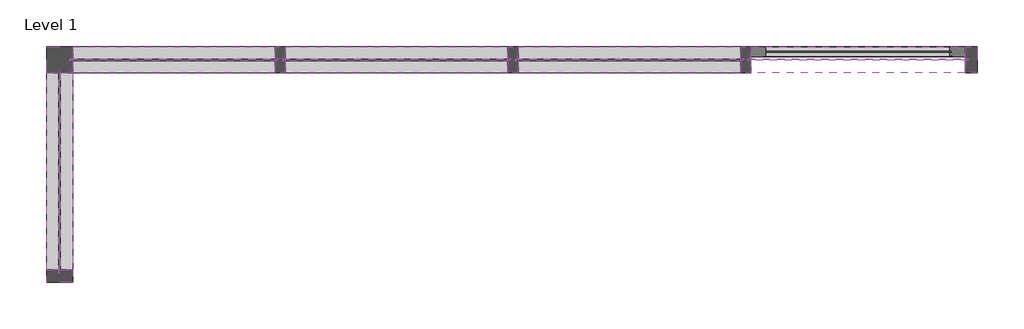
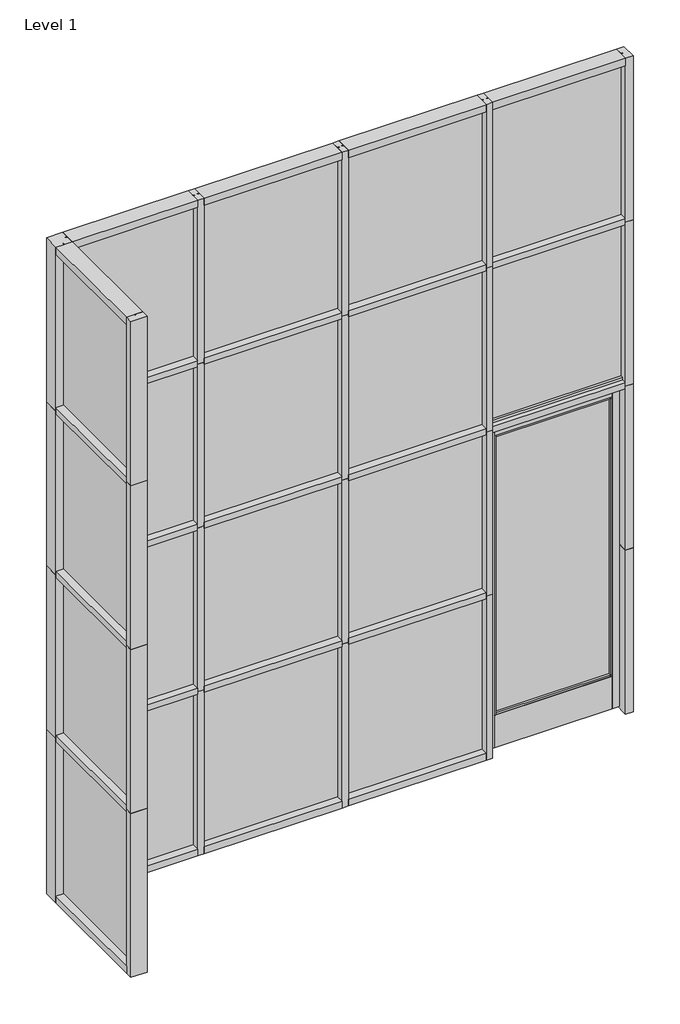
# One storey: 47 members, 19 plates.
"""IFC4 building model written with IfcOpenShell, lengths in millimetres."""

import ifcopenshell
import ifcopenshell.guid

model = None  # the IFC model being written
_history = None  # IfcOwnerHistory: only IFC2X3 demands one
_inside = {}  # id of a spatial element -> (the spatial element, [elements in it])
_under = {}  # id of a project, library or spatial element -> (it, [spatial elements below it])
_declared = {}  # id of a project -> (the project, [libraries it declares])
_typed = {}  # id of a type object -> (the type object, [elements of that type])
_made_of = {}  # id of a material, layer set ... -> (it, [elements and type objects made of it])


def new_model(schema):
    """Start an empty IFC model of exactly this schema.

    Asked for "IFC4X3", IfcOpenShell would pick the latest addendum, in which some entities
    have other attributes; the version numbers below select the first issue.
    IFC2X3 requires an IfcOwnerHistory on every rooted entity: one is made here for all.
    """
    global model, _history
    if schema == "IFC4X3":
        model = ifcopenshell.file(schema_version=(4, 3, 0, 0))
    else:
        model = ifcopenshell.file(schema=schema)
    _inside.clear()
    _under.clear()
    _declared.clear()
    _typed.clear()
    _made_of.clear()
    _history = None
    if model.schema == "IFC2X3":
        org = make("IfcOrganization", Name="unknown")
        user = make(
            "IfcPersonAndOrganization",
            ThePerson=make("IfcPerson", FamilyName="unknown"),
            TheOrganization=org,
        )
        app = make(
            "IfcApplication",
            ApplicationDeveloper=org,
            Version="unknown",
            ApplicationFullName="unknown",
            ApplicationIdentifier="unknown",
        )
        _history = make(
            "IfcOwnerHistory",
            OwningUser=user,
            OwningApplication=app,
            ChangeAction="ADDED",
            CreationDate=0,
        )
    return model


def make(cls, **values):
    """One entity of the class cls with the attributes given. An attribute that is None is left unset."""
    return model.create_entity(
        cls, **{name: value for name, value in values.items() if value is not None}
    )


def rooted(cls, **values):
    """An entity with a GlobalId (a new one), such as an element, a storey or a relation."""
    return make(cls, GlobalId=ifcopenshell.guid.new(), OwnerHistory=_history, **values)


def si_unit(unit_type, name, prefix=None):
    """IfcSIUnit, for example si_unit("LENGTHUNIT", "METRE", prefix="MILLI")."""
    return make("IfcSIUnit", UnitType=unit_type, Prefix=prefix, Name=name)


def assignment(units):
    """IfcUnitAssignment: the units of a project."""
    return None if units is None else make("IfcUnitAssignment", Units=units)


def point(xyz):
    """IfcCartesianPoint."""
    return None if xyz is None else make("IfcCartesianPoint", Coordinates=xyz)


def direction(xyz):
    """IfcDirection."""
    return None if xyz is None else make("IfcDirection", DirectionRatios=xyz)


def frame(location, z_axis=None, x_axis=None):
    """IfcAxis2Placement3D, a coordinate frame: its origin and axes. An axis left out is left unset."""
    return make(
        "IfcAxis2Placement3D",
        Location=point(location),
        Axis=direction(z_axis),
        RefDirection=direction(x_axis),
    )


def origin():
    """The frame at (0, 0, 0) with its axes left unset."""
    return frame((0.0, 0.0, 0.0))


def origin_with_axes():
    """The frame at (0, 0, 0) with the z axis (0, 0, 1) and the x axis (1, 0, 0) written out."""
    return frame((0.0, 0.0, 0.0), z_axis=(0.0, 0.0, 1.0), x_axis=(1.0, 0.0, 0.0))


def place(relative_to, where):
    """IfcLocalPlacement: puts the frame where relative to a parent placement (None: the world)."""
    return make(
        "IfcLocalPlacement", PlacementRelTo=relative_to, RelativePlacement=where
    )


def context(
    kind, dimensions, precision=None, world=None, true_north=None, identifier=None
):
    """IfcGeometricRepresentationContext, for example the 3D "Model" context."""
    return make(
        "IfcGeometricRepresentationContext",
        ContextIdentifier=identifier,
        ContextType=kind,
        CoordinateSpaceDimension=dimensions,
        Precision=precision,
        WorldCoordinateSystem=world,
        TrueNorth=true_north,
    )


def project(units=None, contexts=None):
    """IfcProject with its units and contexts."""
    return rooted(
        "IfcProject",
        Name="project",
        RepresentationContexts=contexts,
        UnitsInContext=assignment(units),
    )


def spatial(cls, under=None, at=None, **own):
    """A site, building, storey or space (cls), placed at a placement, below another one or the project."""
    s = rooted(cls, ObjectPlacement=at, **own)
    if under is not None:
        _under.setdefault(under.id(), (under, []))[1].append(s)
    return s


def polyline(points):
    """IfcPolyline through the points."""
    return make("IfcPolyline", Points=[point(p) for p in points])


def outline(outer, holes=None, kind="AREA"):
    """IfcArbitraryClosedProfileDef: a profile drawn as a closed curve; with holes, ...WithVoids."""
    if holes is None:
        return make("IfcArbitraryClosedProfileDef", ProfileType=kind, OuterCurve=outer)
    return make(
        "IfcArbitraryProfileDefWithVoids",
        ProfileType=kind,
        OuterCurve=outer,
        InnerCurves=holes,
    )


def extrude(swept, where, along, depth):
    """IfcExtrudedAreaSolid: the profile swept, set in the frame where, extruded along a direction by depth."""
    return make(
        "IfcExtrudedAreaSolid",
        SweptArea=swept,
        Position=where,
        ExtrudedDirection=direction(along),
        Depth=depth,
    )


def shape(context_of_items, identifier, shape_type, items):
    """IfcShapeRepresentation: the items that make up one representation, for example the "Body"."""
    return make(
        "IfcShapeRepresentation",
        ContextOfItems=context_of_items,
        RepresentationIdentifier=identifier,
        RepresentationType=shape_type,
        Items=items,
    )


def source(mapping_origin, context_of_items, identifier, shape_type, items):
    """IfcRepresentationMap: a shape defined once, which mapped items show again and again."""
    return make(
        "IfcRepresentationMap",
        MappingOrigin=mapping_origin,
        MappedRepresentation=shape(context_of_items, identifier, shape_type, items),
    )


def transform(
    local_origin,
    x_axis=None,
    y_axis=None,
    z_axis=None,
    scale=None,
    scale2=None,
    scale3=None,
    uniform=True,
):
    """IfcCartesianTransformationOperator3D, or its non-uniform kind. x_axis, y_axis, z_axis: its Axis1, 2, 3."""
    if uniform:
        return make(
            "IfcCartesianTransformationOperator3D",
            Axis1=direction(x_axis),
            Axis2=direction(y_axis),
            LocalOrigin=point(local_origin),
            Scale=scale,
            Axis3=direction(z_axis),
        )
    return make(
        "IfcCartesianTransformationOperator3DnonUniform",
        Axis1=direction(x_axis),
        Axis2=direction(y_axis),
        LocalOrigin=point(local_origin),
        Scale=scale,
        Axis3=direction(z_axis),
        Scale2=scale2,
        Scale3=scale3,
    )


def mapped(mapping_source, mapping_target):
    """IfcMappedItem: shows the shape of a source again, moved by a transform."""
    return make(
        "IfcMappedItem", MappingSource=mapping_source, MappingTarget=mapping_target
    )


def made_of(thing, what):
    """Note that an element or type object is made of a material, layer set ...; save() writes the relation."""
    if what is not None:
        _made_of.setdefault(what.id(), (what, []))[1].append(thing)
    return thing


def element(
    cls,
    number,
    at=None,
    inside=None,
    cuts=None,
    type_object=None,
    material=None,
    context=None,
    identifier="Body",
    shape_type=None,
    held_by="IfcProductDefinitionShape",
    body=None,
    shapes=None,
    **own,
):
    """One element of the class cls, such as IfcWall. Its Tag is "e" and its number.

    at: its placement. inside: the storey or other place that contains it. cuts: it is an
    opening in that element (IfcRelVoidsElement). A single representation is given by context,
    identifier, shape_type and body (its items); several are given by shapes. held_by: the class
    of the entity that holds the representations. save() writes the other relations.
    """
    e = rooted(cls, Tag="e%d" % number, ObjectPlacement=at, **own)
    if body is not None:
        shapes = [shape(context, identifier, shape_type, body)]
    if shapes is not None:
        e.Representation = make(held_by, Representations=shapes)
    if inside is not None:
        _inside.setdefault(inside.id(), (inside, []))[1].append(e)
    if cuts is not None:
        rooted(
            "IfcRelVoidsElement", RelatingBuildingElement=cuts, RelatedOpeningElement=e
        )
    if type_object is not None:
        _typed.setdefault(type_object.id(), (type_object, []))[1].append(e)
    return made_of(e, material)


def aggregate(whole, parts):
    """IfcRelAggregates: a whole, such as a stair, and the parts it consists of."""
    return rooted("IfcRelAggregates", RelatingObject=whole, RelatedObjects=parts)


def save(model, path):
    """Write the relations noted so far, then the file.

    IfcRelAggregates (storeys below a building ...), IfcRelContainedInSpatialStructure (elements
    in a storey), IfcRelDefinesByType, IfcRelAssociatesMaterial and IfcRelDeclares: one each for
    every whole, place, type object, material and project.
    """
    for whole, parts in _under.values():
        aggregate(whole, parts)
    for where, things in _inside.values():
        rooted(
            "IfcRelContainedInSpatialStructure",
            RelatedElements=things,
            RelatingStructure=where,
        )
    for kind, things in _typed.values():
        rooted("IfcRelDefinesByType", RelatedObjects=things, RelatingType=kind)
    for what, things in _made_of.values():
        rooted("IfcRelAssociatesMaterial", RelatedObjects=things, RelatingMaterial=what)
    for by, libraries in _declared.values():
        rooted("IfcRelDeclares", RelatingContext=by, RelatedDefinitions=libraries)
    model.write(path)


def rectangular_mullion_1f55eb4f(model_context):
    return source(origin(), model_context, "Body", "SweptSolid", [
        extrude(outline(polyline([(-53.975, 57.15), (0.0, 57.15), (0.0, -57.15), (-53.975, -57.15), (-53.975, -3.175), (-41.2732296, -3.175), (-41.2732296, 3.175), (-53.975, 3.175), (-53.975, 57.15)])), frame((0.0, 0.0, -1219.2), z_axis=(0.0, 0.0, 1.0), x_axis=(1.0, 0.0, 0.0)), (0.0, 0.0, 1.0), 1219.2),
    ])


def rectangular_mullion_c31169d5(model_context):
    return source(origin(), model_context, "Body", "SweptSolid", [
        extrude(outline(polyline([(-53.975, 57.15), (0.0, 57.15), (0.0, -57.15), (-53.975, -57.15), (-53.975, -3.175), (-41.2732296, -3.175), (-41.2732296, 3.175), (-53.975, 3.175), (-53.975, 57.15)])), frame((0.0, 0.0, -935.4655973), z_axis=(0.0, 0.0, 1.0), x_axis=(1.0, 0.0, 0.0)), (0.0, 0.0, 1.0), 935.4655973),
    ])


def rectangular_mullion_0bb872fa(model_context):
    return source(origin(), model_context, "Body", "SweptSolid", [
        extrude(outline(polyline([(-53.975, 57.15), (0.0, 57.15), (0.0, -57.15), (-53.975, -57.15), (-53.975, -3.175), (-41.2732296, -3.175), (-41.2732296, 3.175), (-53.975, 3.175), (-53.975, 57.15)])), frame((0.0, 0.0, -883.8094027), z_axis=(0.0, 0.0, 1.0), x_axis=(1.0, 0.0, 0.0)), (0.0, 0.0, 1.0), 883.8094027),
    ])


def rectangular_mullion_a71abbf1(model_context):
    return source(origin(), model_context, "Body", "SweptSolid", [
        extrude(outline(polyline([(-50.8, 57.15), (0.0, 57.15), (0.0, -57.15), (-50.8, -57.15), (-50.8, -3.175), (-31.75, -3.175), (-31.75, 3.175), (-50.8, 3.175), (-50.8, 57.15)])), frame((0.0, 0.0, -883.8094027), z_axis=(0.0, 0.0, 1.0), x_axis=(1.0, 0.0, 0.0)), (0.0, 0.0, 1.0), 883.8094027),
    ])


def rectangular_mullion_352ee446(model_context):
    return source(origin(), model_context, "Body", "SweptSolid", [
        extrude(outline(polyline([(-50.8, 57.15), (0.0, 57.15), (0.0, -57.15), (-50.8, -57.15), (-50.8, -3.175), (-31.75, -3.175), (-31.75, 3.175), (-50.8, 3.175), (-50.8, 57.15)])), frame((0.0, 0.0, -971.55), z_axis=(0.0, 0.0, 1.0), x_axis=(1.0, 0.0, 0.0)), (0.0, 0.0, 1.0), 971.55),
    ])


def rectangular_mullion_92f0b9d0(model_context):
    return source(origin(), model_context, "Body", "SweptSolid", [
        extrude(outline(polyline([(26.5594027, 57.15), (26.5594027, 3.175), (13.8576322, 3.175), (13.8576322, -3.175), (26.5594027, -3.175), (26.5594027, -57.15), (-17.8905973, -57.15), (-17.8905973, -3.175), (-5.1905973, -3.175), (-5.1905973, 3.175), (-17.8905973, 3.175), (-17.8905973, 57.15), (26.5594027, 57.15)])), frame((0.0, 0.0, -883.8094027), z_axis=(0.0, 0.0, 1.0), x_axis=(1.0, 0.0, 0.0)), (0.0, 0.0, 1.0), 883.8094027),
    ])


def rectangular_mullion_21c93c68(model_context):
    return source(origin(), model_context, "Body", "SweptSolid", [
        extrude(outline(polyline([(26.5594027, 57.15), (26.5594027, 3.175), (13.8576322, 3.175), (13.8576322, -3.175), (26.5594027, -3.175), (26.5594027, -57.15), (-17.8905973, -57.15), (-17.8905973, -3.175), (-5.1905973, -3.175), (-5.1905973, 3.175), (-17.8905973, 3.175), (-17.8905973, 57.15), (26.5594027, 57.15)])), frame((0.0, 0.0, -971.55), z_axis=(0.0, 0.0, 1.0), x_axis=(1.0, 0.0, 0.0)), (0.0, 0.0, 1.0), 971.55),
    ])


def rectangular_mullion_034faee6(model_context):
    return source(origin(), model_context, "Body", "SweptSolid", [
        extrude(outline(polyline([(26.5594027, 57.15), (26.5594027, 3.175), (13.8576322, 3.175), (13.8576322, -3.175), (26.5594027, -3.175), (26.5594027, -57.15), (-17.8905973, -57.15), (-17.8905973, -3.175), (-5.1905973, -3.175), (-5.1905973, 3.175), (-17.8905973, 3.175), (-17.8905973, 57.15), (26.5594027, 57.15)])), frame((0.0, 0.0, -1219.2), z_axis=(0.0, 0.0, 1.0), x_axis=(1.0, 0.0, 0.0)), (0.0, 0.0, 1.0), 1219.2),
    ])


def rectangular_mullion_3a9e87ab(model_context):
    return source(origin(), model_context, "Body", "SweptSolid", [
        extrude(outline(polyline([(-53.975, 57.15), (0.0, 57.15), (0.0, -57.15), (-53.975, -57.15), (-53.975, -3.175), (-41.2732296, -3.175), (-41.2732296, 3.175), (-53.975, 3.175), (-53.975, 57.15)])), frame((0.0, 0.0, -971.55), z_axis=(0.0, 0.0, 1.0), x_axis=(1.0, 0.0, 0.0)), (0.0, 0.0, 1.0), 971.55),
    ])


def rectangular_mullion_6b20fba9(model_context):
    return source(origin(), model_context, "Body", "SweptSolid", [
        extrude(outline(polyline([(26.5594027, 57.15), (26.5594027, 22.1896686), (45.6091487, 22.1896686), (45.6091487, 3.175), (32.9091487, 3.175), (32.9091487, -3.175), (45.6091487, -3.175), (45.6091487, -22.2603314), (26.5594027, -22.2603314), (26.5594027, -57.15), (-17.8905973, -57.15), (-17.8905973, 57.15), (26.5594027, 57.15)])), frame((0.0, 0.0, -935.4655973), z_axis=(0.0, 0.0, 1.0), x_axis=(1.0, 0.0, 0.0)), (0.0, 0.0, 1.0), 935.4655973),
    ])


def rectangular_mullion_b8a8cedb(model_context):
    return source(origin(), model_context, "Body", "SweptSolid", [
        extrude(outline(polyline([(26.5594027, 57.15), (26.5594027, 3.175), (13.8576322, 3.175), (13.8576322, -3.175), (26.5594027, -3.175), (26.5594027, -57.15), (-17.8905973, -57.15), (-17.8905973, -3.175), (-5.1905973, -3.175), (-5.1905973, 3.175), (-17.8905973, 3.175), (-17.8905973, 57.15), (26.5594027, 57.15)])), frame((0.0, 0.0, -935.4655973), z_axis=(0.0, 0.0, 1.0), x_axis=(1.0, 0.0, 0.0)), (0.0, 0.0, 1.0), 935.4655973),
    ])


def rectangular_mullion_543faa97(model_context):
    return source(origin(), model_context, "Body", "SweptSolid", [
        extrude(outline(polyline([(26.5594027, 57.15), (26.5594027, -57.15), (-17.8905973, -57.15), (-17.8905973, -3.175), (-5.1905973, -3.175), (-5.1905973, 3.175), (-17.8905973, 3.175), (-17.8905973, 57.15), (26.5594027, 57.15)])), frame((0.0, 0.0, -1219.2), z_axis=(0.0, 0.0, 1.0), x_axis=(1.0, 0.0, 0.0)), (0.0, 0.0, 1.0), 1219.2),
    ])


def rectangular_mullion_960d9529(model_context):
    return source(origin(), model_context, "Body", "SweptSolid", [
        extrude(outline(polyline([(-53.975, 57.15), (0.0, 57.15), (0.0, -57.15), (-53.975, -57.15), (-53.975, 57.15)])), frame((0.0, 0.0, -1219.2), z_axis=(0.0, 0.0, 1.0), x_axis=(1.0, 0.0, 0.0)), (0.0, 0.0, 1.0), 1219.2),
    ])


def rectangular_mullion_c9dc522c(model_context):
    return source(origin(), model_context, "Body", "SweptSolid", [
        extrude(outline(polyline([(-53.975, 57.15), (0.0, 57.15), (0.0, -57.15), (-114.3, -57.15), (-114.3, -3.175), (-101.5982296, -3.175), (-101.5982296, 3.175), (-114.3, 3.175), (-114.3, 57.15), (-60.325, 57.15), (-60.325, 44.45), (-53.975, 44.45), (-53.975, 57.15)])), frame((0.0, 0.0, -1219.2), z_axis=(0.0, 0.0, 1.0), x_axis=(1.0, 0.0, 0.0)), (0.0, 0.0, 1.0), 1219.2),
    ])


def rectangular_mullion_8786a7c9(model_context):
    return source(origin(), model_context, "Body", "SweptSolid", [
        extrude(outline(polyline([(-53.975, 57.15), (0.0, 57.15), (0.0, -57.15), (-53.975, -57.15), (-53.975, -3.175), (-41.2732296, -3.175), (-41.2732296, 3.175), (-53.975, 3.175), (-53.975, 57.15)])), frame((0.0, 0.0, -860.425), z_axis=(0.0, 0.0, 1.0), x_axis=(1.0, 0.0, 0.0)), (0.0, 0.0, 1.0), 860.425),
    ])


def rectangular_mullion_7bf6bcfd(model_context):
    return source(origin(), model_context, "Body", "SweptSolid", [
        extrude(outline(polyline([(26.5594027, 57.15), (26.5594027, 3.175), (13.8576322, 3.175), (13.8576322, -3.175), (26.5594027, -3.175), (26.5594027, -57.15), (-17.8905973, -57.15), (-17.8905973, -3.175), (-5.1905973, -3.175), (-5.1905973, 3.175), (-17.8905973, 3.175), (-17.8905973, 57.15), (26.5594027, 57.15)])), frame((0.0, 0.0, -860.425), z_axis=(0.0, 0.0, 1.0), x_axis=(1.0, 0.0, 0.0)), (0.0, 0.0, 1.0), 860.425),
    ])


def rectangular_mullion_cdf5b697(model_context):
    return source(origin(), model_context, "Body", "SweptSolid", [
        extrude(outline(polyline([(-50.8, 57.15), (0.0, 57.15), (0.0, -57.15), (-50.8, -57.15), (-50.8, -3.175), (-31.75, -3.175), (-31.75, 3.175), (-50.8, 3.175), (-50.8, 57.15)])), frame((0.0, 0.0, -860.425), z_axis=(0.0, 0.0, 1.0), x_axis=(1.0, 0.0, 0.0)), (0.0, 0.0, 1.0), 860.425),
    ])


def plate_d1dc1781(model_context):
    return source(origin(), model_context, "Body", "SweptSolid", [
        extrude(outline(polyline([(-466.1452987, 57.15), (-414.5414282, 57.15), (-414.5414282, 55.5901195), (-401.8414282, 55.5901195), (-401.8414282, 14.5695416), (-414.5414282, 14.5695416), (-414.5414282, 12.7), (-466.1452987, 12.7), (-466.1452987, 57.15)])), frame((0.0, 0.0, 17.4625), z_axis=(0.0, 0.0, 1.0), x_axis=(1.0, 0.0, 0.0)), (0.0, 0.0, 1.0), 2401.4594027),
        extrude(outline(polyline([(-410.2329645, 31.9633145), (-410.2329645, 38.3133145), (406.6224706, 38.3133145), (406.6224706, 31.9633145), (-410.2329645, 31.9633145)])), frame((0.0, 0.0, 263.906), z_axis=(0.0, 0.0, 1.0), x_axis=(1.0, 0.0, 0.0)), (0.0, 0.0, 1.0), 2067.7034027),
        extrude(outline(polyline([(466.1452987, 57.15), (466.1452987, 12.7), (414.5414282, 12.7), (414.5414282, 16.8052032), (401.8414282, 16.8052032), (401.8414282, 55.5901195), (414.5414282, 55.5901195), (414.5414282, 57.15), (466.1452987, 57.15)])), frame((0.0, 0.0, 17.4625), z_axis=(0.0, 0.0, 1.0), x_axis=(1.0, 0.0, 0.0)), (0.0, 0.0, 1.0), 2401.4594027),
        extrude(outline(polyline([(12.7, 2418.9219027), (57.15, 2418.9219027), (57.15, 2336.3746967), (55.5901195, 2336.3746967), (55.5901195, 2323.6719027), (14.5695416, 2323.6719027), (14.5695416, 2336.3746967), (12.7, 2336.3746967), (12.7, 2418.9219027)])), frame((-414.5414282, 0.0, 0.0), z_axis=(1.0, 0.0, 0.0), x_axis=(0.0, 1.0, 0.0)), (0.0, 0.0, 1.0), 829.0828564),
        extrude(outline(polyline([(14.5695416, 271.4298836), (55.5901195, 271.4298836), (55.5901195, 258.7303916), (57.15, 258.7303916), (57.15, 17.4625), (12.7, 17.4625), (12.7, 258.7303916), (14.5695416, 258.7303916), (14.5695416, 271.4298836)])), frame((-414.5414282, 0.0, 0.0), z_axis=(1.0, 0.0, 0.0), x_axis=(0.0, 1.0, 0.0)), (0.0, 0.0, 1.0), 829.0828564),
    ])


def plate_823a6691(model_context):
    return source(origin(), model_context, "Body", "SweptSolid", [
        extrude(outline(polyline([(454.6055865, -3.175), (-454.6055865, -3.175), (-454.6055865, 3.175), (454.6055865, 3.175), (454.6055865, -3.175)])), origin_with_axes(), (0.0, 0.0, 1.0), 1182.2594027),
    ])


def plate_a4d7f6ec(model_context):
    return source(origin(), model_context, "Body", "SweptSolid", [
        extrude(outline(polyline([(498.4758852, -3.175), (-498.4758852, -3.175), (-498.4758852, 3.175), (498.4758852, 3.175), (498.4758852, -3.175)])), origin_with_axes(), (0.0, 0.0, 1.0), 1182.2594027),
    ])


def plate_171d830a(model_context):
    return source(origin(), model_context, "Body", "SweptSolid", [
        extrude(outline(polyline([(454.6055865, -3.175), (-454.6055865, -3.175), (-454.6055865, 3.175), (454.6055865, 3.175), (454.6055865, -3.175)])), origin_with_axes(), (0.0, 0.0, 1.0), 1200.1517704),
    ])


def plate_0b4becd2(model_context):
    return source(origin(), model_context, "Body", "SweptSolid", [
        extrude(outline(polyline([(498.4758852, -3.175), (-498.4758852, -3.175), (-498.4758852, 3.175), (498.4758852, 3.175), (498.4758852, -3.175)])), origin_with_axes(), (0.0, 0.0, 1.0), 1200.1517704),
    ])


def plate_57f9dd8b(model_context):
    return source(origin(), model_context, "Body", "SweptSolid", [
        extrude(outline(polyline([(454.6055865, -3.175), (-454.6055865, -3.175), (-454.6055865, 3.175), (454.6055865, 3.175), (454.6055865, -3.175)])), origin_with_axes(), (0.0, 0.0, 1.0), 1164.0691382),
    ])


def plate_f60e16c1(model_context):
    return source(origin(), model_context, "Body", "SweptSolid", [
        extrude(outline(polyline([(498.4758852, -3.175), (-498.4758852, -3.175), (-498.4758852, 3.175), (498.4758852, 3.175), (498.4758852, -3.175)])), origin_with_axes(), (0.0, 0.0, 1.0), 1164.0691382),
    ])


def plate_8c8a3d69(model_context):
    return source(origin(), model_context, "Body", "SweptSolid", [
        extrude(outline(polyline([(480.4345691, -3.175), (-480.4345691, -3.175), (-480.4345691, 3.175), (480.4345691, 3.175), (480.4345691, -3.175)])), origin_with_axes(), (0.0, 0.0, 1.0), 1181.100254),
    ])


def plate_71d84eb0(model_context):
    return source(origin(), model_context, "Body", "SweptSolid", [
        extrude(outline(polyline([(480.4345691, -3.175), (-480.4345691, -3.175), (-480.4345691, 3.175), (480.4345691, 3.175), (480.4345691, -3.175)])), origin_with_axes(), (0.0, 0.0, 1.0), 1164.0691382),
    ])


def plate_c58b7fe0(model_context):
    return source(origin(), model_context, "Body", "SweptSolid", [
        extrude(outline(polyline([(436.5633852, -3.175), (-436.5633852, -3.175), (-436.5633852, 3.175), (436.5633852, 3.175), (436.5633852, -3.175)])), origin_with_axes(), (0.0, 0.0, 1.0), 1164.0691382),
    ])


def plate_1663f8b6(model_context):
    return source(origin(), model_context, "Body", "SweptSolid", [
        extrude(outline(polyline([(436.5633852, -3.175), (-436.5633852, -3.175), (-436.5633852, 3.175), (436.5633852, 3.175), (436.5633852, -3.175)])), origin_with_axes(), (0.0, 0.0, 1.0), 1200.1517704),
    ])


def plate_9b326741(model_context):
    return source(origin(), model_context, "Body", "SweptSolid", [
        extrude(outline(polyline([(436.5633852, -3.175), (-436.5633852, -3.175), (-436.5633852, 3.175), (436.5633852, 3.175), (436.5633852, -3.175)])), origin_with_axes(), (0.0, 0.0, 1.0), 1182.2594027),
    ])


model = new_model("IFC4")

# Units and contexts
model_context = context("Model", 3, world=origin())
ifc_project = project(units=[si_unit("LENGTHUNIT", "METRE", prefix="MILLI")], contexts=[model_context])

# Site, building, storey
site = spatial("IfcSite", under=ifc_project)
building = spatial("IfcBuilding", under=site)
storey = spatial("IfcBuildingStorey", under=building, Name="Level 1", Elevation=0.0)

# Members
placement = place(None, origin())
rectangular_mullion_shape = rectangular_mullion_1f55eb4f(model_context)
element("IfcMember", 1, ObjectType="Rectangular Mullion", at=placement, inside=storey, context=model_context, shape_type="MappedRepresentation", body=[
    mapped(rectangular_mullion_shape, transform((7835.1882675, 4173.5366393, 2438.4), x_axis=(1.0, 0.0, 0.0), y_axis=(0.0, -1.0, 0.0), z_axis=(0.0, 0.0, -1.0))),
])
element("IfcMember", 2, ObjectType="Rectangular Mullion", at=placement, inside=storey, context=model_context, shape_type="MappedRepresentation", body=[
    mapped(rectangular_mullion_shape, transform((7835.1882675, 4173.5366393, 3657.6), x_axis=(1.0, 0.0, 0.0), y_axis=(0.0, -1.0, 0.0), z_axis=(0.0, 0.0, -1.0))),
])
rectangular_mullion_2_shape = rectangular_mullion_c31169d5(model_context)
element("IfcMember", 3, ObjectType="Rectangular Mullion", at=placement, inside=storey, context=model_context, shape_type="MappedRepresentation", body=[
    mapped(rectangular_mullion_2_shape, transform((7781.2132675, 4173.5366393, 4876.8), x_axis=(0.0, 0.0, 1.0), y_axis=(0.0, -1.0, 0.0), z_axis=(1.0, 0.0, 0.0))),
])
rectangular_mullion_3_shape = rectangular_mullion_0bb872fa(model_context)
element("IfcMember", 4, ObjectType="Rectangular Mullion", at=placement, inside=storey, context=model_context, shape_type="MappedRepresentation", body=[
    mapped(rectangular_mullion_3_shape, transform((4769.2976702, 4173.5366393, 4876.8), x_axis=(0.0, 0.0, 1.0), y_axis=(0.0, -1.0, 0.0), z_axis=(1.0, 0.0, 0.0))),
])
rectangular_mullion_4_shape = rectangular_mullion_a71abbf1(model_context)
element("IfcMember", 5, ObjectType="Rectangular Mullion", at=placement, inside=storey, context=model_context, shape_type="MappedRepresentation", body=[
    mapped(rectangular_mullion_4_shape, transform((3885.4882675, 4173.5366393, 0.0), x_axis=(0.0, 0.0, -1.0), y_axis=(0.0, -1.0, 0.0), z_axis=(-1.0, 0.0, 0.0))),
])
rectangular_mullion_5_shape = rectangular_mullion_352ee446(model_context)
element("IfcMember", 6, ObjectType="Rectangular Mullion", at=placement, inside=storey, context=model_context, shape_type="MappedRepresentation", body=[
    mapped(rectangular_mullion_5_shape, transform((4813.7476702, 4173.5366393, 0.0), x_axis=(0.0, 0.0, -1.0), y_axis=(0.0, -1.0, 0.0), z_axis=(-1.0, 0.0, 0.0))),
])
element("IfcMember", 7, ObjectType="Rectangular Mullion", at=placement, inside=storey, context=model_context, shape_type="MappedRepresentation", body=[
    mapped(rectangular_mullion_5_shape, transform((5829.7476702, 4173.5366393, 0.0), x_axis=(0.0, 0.0, -1.0), y_axis=(0.0, -1.0, 0.0), z_axis=(-1.0, 0.0, 0.0))),
])
rectangular_mullion_6_shape = rectangular_mullion_92f0b9d0(model_context)
element("IfcMember", 8, ObjectType="Rectangular Mullion", at=placement, inside=storey, context=model_context, shape_type="MappedRepresentation", body=[
    mapped(rectangular_mullion_6_shape, transform((4769.2976702, 4173.5366393, 1219.2), x_axis=(0.0, 0.0, 1.0), y_axis=(0.0, -1.0, 0.0), z_axis=(1.0, 0.0, 0.0))),
])
element("IfcMember", 9, ObjectType="Rectangular Mullion", at=placement, inside=storey, context=model_context, shape_type="MappedRepresentation", body=[
    mapped(rectangular_mullion_6_shape, transform((4769.2976702, 4173.5366393, 2438.4), x_axis=(0.0, 0.0, 1.0), y_axis=(0.0, -1.0, 0.0), z_axis=(1.0, 0.0, 0.0))),
])
element("IfcMember", 10, ObjectType="Rectangular Mullion", at=placement, inside=storey, context=model_context, shape_type="MappedRepresentation", body=[
    mapped(rectangular_mullion_6_shape, transform((4769.2976702, 4173.5366393, 3657.6), x_axis=(0.0, 0.0, 1.0), y_axis=(0.0, -1.0, 0.0), z_axis=(1.0, 0.0, 0.0))),
])
rectangular_mullion_7_shape = rectangular_mullion_21c93c68(model_context)
element("IfcMember", 11, ObjectType="Rectangular Mullion", at=placement, inside=storey, context=model_context, shape_type="MappedRepresentation", body=[
    mapped(rectangular_mullion_7_shape, transform((5785.2976702, 4173.5366393, 1219.2), x_axis=(0.0, 0.0, 1.0), y_axis=(0.0, -1.0, 0.0), z_axis=(1.0, 0.0, 0.0))),
])
element("IfcMember", 12, ObjectType="Rectangular Mullion", at=placement, inside=storey, context=model_context, shape_type="MappedRepresentation", body=[
    mapped(rectangular_mullion_7_shape, transform((6801.2976702, 4173.5366393, 1219.2), x_axis=(0.0, 0.0, 1.0), y_axis=(0.0, -1.0, 0.0), z_axis=(1.0, 0.0, 0.0))),
])
element("IfcMember", 13, ObjectType="Rectangular Mullion", at=placement, inside=storey, context=model_context, shape_type="MappedRepresentation", body=[
    mapped(rectangular_mullion_7_shape, transform((5785.2976702, 4173.5366393, 2438.4), x_axis=(0.0, 0.0, 1.0), y_axis=(0.0, -1.0, 0.0), z_axis=(1.0, 0.0, 0.0))),
])
element("IfcMember", 14, ObjectType="Rectangular Mullion", at=placement, inside=storey, context=model_context, shape_type="MappedRepresentation", body=[
    mapped(rectangular_mullion_7_shape, transform((6801.2976702, 4173.5366393, 2438.4), x_axis=(0.0, 0.0, 1.0), y_axis=(0.0, -1.0, 0.0), z_axis=(1.0, 0.0, 0.0))),
])
element("IfcMember", 15, ObjectType="Rectangular Mullion", at=placement, inside=storey, context=model_context, shape_type="MappedRepresentation", body=[
    mapped(rectangular_mullion_7_shape, transform((5785.2976702, 4173.5366393, 3657.6), x_axis=(0.0, 0.0, 1.0), y_axis=(0.0, -1.0, 0.0), z_axis=(1.0, 0.0, 0.0))),
])
element("IfcMember", 16, ObjectType="Rectangular Mullion", at=placement, inside=storey, context=model_context, shape_type="MappedRepresentation", body=[
    mapped(rectangular_mullion_7_shape, transform((6801.2976702, 4173.5366393, 3657.6), x_axis=(0.0, 0.0, 1.0), y_axis=(0.0, -1.0, 0.0), z_axis=(1.0, 0.0, 0.0))),
])
rectangular_mullion_8_shape = rectangular_mullion_034faee6(model_context)
element("IfcMember", 17, ObjectType="Rectangular Mullion", at=placement, inside=storey, context=model_context, shape_type="MappedRepresentation", body=[
    mapped(rectangular_mullion_8_shape, transform((4787.1882675, 4173.5366393, 0.0), x_axis=(1.0, 0.0, 0.0), y_axis=(0.0, -1.0, 0.0), z_axis=(0.0, 0.0, -1.0))),
])
element("IfcMember", 18, ObjectType="Rectangular Mullion", at=placement, inside=storey, context=model_context, shape_type="MappedRepresentation", body=[
    mapped(rectangular_mullion_8_shape, transform((5803.1882675, 4173.5366393, 0.0), x_axis=(1.0, 0.0, 0.0), y_axis=(0.0, -1.0, 0.0), z_axis=(0.0, 0.0, -1.0))),
])
element("IfcMember", 19, ObjectType="Rectangular Mullion", at=placement, inside=storey, context=model_context, shape_type="MappedRepresentation", body=[
    mapped(rectangular_mullion_8_shape, transform((6819.1882675, 4173.5366393, 2438.4), x_axis=(1.0, 0.0, 0.0), y_axis=(0.0, -1.0, 0.0), z_axis=(0.0, 0.0, -1.0))),
])
element("IfcMember", 20, ObjectType="Rectangular Mullion", at=placement, inside=storey, context=model_context, shape_type="MappedRepresentation", body=[
    mapped(rectangular_mullion_8_shape, transform((4787.1882675, 4173.5366393, 1219.2), x_axis=(1.0, 0.0, 0.0), y_axis=(0.0, -1.0, 0.0), z_axis=(0.0, 0.0, -1.0))),
])
element("IfcMember", 21, ObjectType="Rectangular Mullion", at=placement, inside=storey, context=model_context, shape_type="MappedRepresentation", body=[
    mapped(rectangular_mullion_8_shape, transform((5803.1882675, 4173.5366393, 1219.2), x_axis=(1.0, 0.0, 0.0), y_axis=(0.0, -1.0, 0.0), z_axis=(0.0, 0.0, -1.0))),
])
element("IfcMember", 22, ObjectType="Rectangular Mullion", at=placement, inside=storey, context=model_context, shape_type="MappedRepresentation", body=[
    mapped(rectangular_mullion_8_shape, transform((4787.1882675, 4173.5366393, 2438.4), x_axis=(1.0, 0.0, 0.0), y_axis=(0.0, -1.0, 0.0), z_axis=(0.0, 0.0, -1.0))),
])
element("IfcMember", 23, ObjectType="Rectangular Mullion", at=placement, inside=storey, context=model_context, shape_type="MappedRepresentation", body=[
    mapped(rectangular_mullion_8_shape, transform((5803.1882675, 4173.5366393, 2438.4), x_axis=(1.0, 0.0, 0.0), y_axis=(0.0, -1.0, 0.0), z_axis=(0.0, 0.0, -1.0))),
])
rectangular_mullion_9_shape = rectangular_mullion_3a9e87ab(model_context)
element("IfcMember", 24, ObjectType="Rectangular Mullion", at=placement, inside=storey, context=model_context, shape_type="MappedRepresentation", body=[
    mapped(rectangular_mullion_9_shape, transform((5785.2976702, 4173.5366393, 4876.8), x_axis=(0.0, 0.0, 1.0), y_axis=(0.0, -1.0, 0.0), z_axis=(1.0, 0.0, 0.0))),
])
element("IfcMember", 25, ObjectType="Rectangular Mullion", at=placement, inside=storey, context=model_context, shape_type="MappedRepresentation", body=[
    mapped(rectangular_mullion_9_shape, transform((6801.2976702, 4173.5366393, 4876.8), x_axis=(0.0, 0.0, 1.0), y_axis=(0.0, -1.0, 0.0), z_axis=(1.0, 0.0, 0.0))),
])
element("IfcMember", 26, ObjectType="Rectangular Mullion", at=placement, inside=storey, context=model_context, shape_type="MappedRepresentation", body=[
    mapped(rectangular_mullion_8_shape, transform((4787.1882675, 4173.5366393, 3657.6), x_axis=(1.0, 0.0, 0.0), y_axis=(0.0, -1.0, 0.0), z_axis=(0.0, 0.0, -1.0))),
])
element("IfcMember", 27, ObjectType="Rectangular Mullion", at=placement, inside=storey, context=model_context, shape_type="MappedRepresentation", body=[
    mapped(rectangular_mullion_8_shape, transform((5803.1882675, 4173.5366393, 3657.6), x_axis=(1.0, 0.0, 0.0), y_axis=(0.0, -1.0, 0.0), z_axis=(0.0, 0.0, -1.0))),
])
element("IfcMember", 28, ObjectType="Rectangular Mullion", at=placement, inside=storey, context=model_context, shape_type="MappedRepresentation", body=[
    mapped(rectangular_mullion_8_shape, transform((6819.1882675, 4173.5366393, 3657.6), x_axis=(1.0, 0.0, 0.0), y_axis=(0.0, -1.0, 0.0), z_axis=(0.0, 0.0, -1.0))),
])
rectangular_mullion_10_shape = rectangular_mullion_6b20fba9(model_context)
element("IfcMember", 29, ObjectType="Rectangular Mullion", at=placement, inside=storey, context=model_context, shape_type="MappedRepresentation", body=[
    mapped(rectangular_mullion_10_shape, transform((7781.2132675, 4173.5366393, 2438.4), x_axis=(0.0, 0.0, 1.0), y_axis=(0.0, -1.0, 0.0), z_axis=(1.0, 0.0, 0.0))),
])
rectangular_mullion_11_shape = rectangular_mullion_b8a8cedb(model_context)
element("IfcMember", 30, ObjectType="Rectangular Mullion", at=placement, inside=storey, context=model_context, shape_type="MappedRepresentation", body=[
    mapped(rectangular_mullion_11_shape, transform((7781.2132675, 4173.5366393, 3657.6), x_axis=(0.0, 0.0, 1.0), y_axis=(0.0, -1.0, 0.0), z_axis=(1.0, 0.0, 0.0))),
])
rectangular_mullion_12_shape = rectangular_mullion_543faa97(model_context)
element("IfcMember", 31, ObjectType="Rectangular Mullion", at=placement, inside=storey, context=model_context, shape_type="MappedRepresentation", body=[
    mapped(rectangular_mullion_12_shape, transform((6819.1882675, 4173.5366393, 0.0), x_axis=(1.0, 0.0, 0.0), y_axis=(0.0, -1.0, 0.0), z_axis=(0.0, 0.0, -1.0))),
])
element("IfcMember", 32, ObjectType="Rectangular Mullion", at=placement, inside=storey, context=model_context, shape_type="MappedRepresentation", body=[
    mapped(rectangular_mullion_12_shape, transform((6819.1882675, 4173.5366393, 1219.2), x_axis=(1.0, 0.0, 0.0), y_axis=(0.0, -1.0, 0.0), z_axis=(0.0, 0.0, -1.0))),
])
rectangular_mullion_13_shape = rectangular_mullion_960d9529(model_context)
element("IfcMember", 33, ObjectType="Rectangular Mullion", at=placement, inside=storey, context=model_context, shape_type="MappedRepresentation", body=[
    mapped(rectangular_mullion_13_shape, transform((7835.1882675, 4173.5366393, 0.0), x_axis=(1.0, 0.0, 0.0), y_axis=(0.0, -1.0, 0.0), z_axis=(0.0, 0.0, -1.0))),
])
element("IfcMember", 34, ObjectType="Rectangular Mullion", at=placement, inside=storey, context=model_context, shape_type="MappedRepresentation", body=[
    mapped(rectangular_mullion_13_shape, transform((7835.1882675, 4173.5366393, 1219.2), x_axis=(1.0, 0.0, 0.0), y_axis=(0.0, -1.0, 0.0), z_axis=(0.0, 0.0, -1.0))),
])
rectangular_mullion_14_shape = rectangular_mullion_c9dc522c(model_context)
element("IfcMember", 35, ObjectType="Rectangular Mullion", at=placement, inside=storey, context=model_context, shape_type="MappedRepresentation", body=[
    mapped(rectangular_mullion_14_shape, transform((3771.1882675, 4173.5366393, 4876.8), x_axis=(-1.0, 0.0, 0.0), y_axis=(0.0, -1.0, 0.0), z_axis=(0.0, 0.0, 1.0))),
])
element("IfcMember", 36, ObjectType="Rectangular Mullion", at=placement, inside=storey, context=model_context, shape_type="MappedRepresentation", body=[
    mapped(rectangular_mullion_14_shape, transform((3771.1882675, 4173.5366393, 1219.2), x_axis=(-1.0, 0.0, 0.0), y_axis=(0.0, -1.0, 0.0), z_axis=(0.0, 0.0, 1.0))),
])
element("IfcMember", 37, ObjectType="Rectangular Mullion", at=placement, inside=storey, context=model_context, shape_type="MappedRepresentation", body=[
    mapped(rectangular_mullion_14_shape, transform((3771.1882675, 4173.5366393, 2438.4), x_axis=(-1.0, 0.0, 0.0), y_axis=(0.0, -1.0, 0.0), z_axis=(0.0, 0.0, 1.0))),
])
element("IfcMember", 38, ObjectType="Rectangular Mullion", at=placement, inside=storey, context=model_context, shape_type="MappedRepresentation", body=[
    mapped(rectangular_mullion_14_shape, transform((3771.1882675, 4173.5366393, 3657.6), x_axis=(-1.0, 0.0, 0.0), y_axis=(0.0, -1.0, 0.0), z_axis=(0.0, 0.0, 1.0))),
])
element("IfcMember", 39, ObjectType="Rectangular Mullion", at=placement, inside=storey, context=model_context, shape_type="MappedRepresentation", body=[
    mapped(rectangular_mullion_shape, transform((3828.3382675, 3201.9866393, 1219.2), x_axis=(0.0, -1.0, 0.0), y_axis=(1.0, 0.0, 0.0), z_axis=(0.0, 0.0, 1.0))),
])
element("IfcMember", 40, ObjectType="Rectangular Mullion", at=placement, inside=storey, context=model_context, shape_type="MappedRepresentation", body=[
    mapped(rectangular_mullion_shape, transform((3828.3382675, 3201.9866393, 2438.4), x_axis=(0.0, -1.0, 0.0), y_axis=(1.0, 0.0, 0.0), z_axis=(0.0, 0.0, 1.0))),
])
element("IfcMember", 41, ObjectType="Rectangular Mullion", at=placement, inside=storey, context=model_context, shape_type="MappedRepresentation", body=[
    mapped(rectangular_mullion_shape, transform((3828.3382675, 3201.9866393, 3657.6), x_axis=(0.0, -1.0, 0.0), y_axis=(1.0, 0.0, 0.0), z_axis=(0.0, 0.0, 1.0))),
])
element("IfcMember", 42, ObjectType="Rectangular Mullion", at=placement, inside=storey, context=model_context, shape_type="MappedRepresentation", body=[
    mapped(rectangular_mullion_shape, transform((3828.3382675, 3201.9866393, 4876.8), x_axis=(0.0, -1.0, 0.0), y_axis=(1.0, 0.0, 0.0), z_axis=(0.0, 0.0, 1.0))),
])
rectangular_mullion_15_shape = rectangular_mullion_8786a7c9(model_context)
element("IfcMember", 43, ObjectType="Rectangular Mullion", at=placement, inside=storey, context=model_context, shape_type="MappedRepresentation", body=[
    mapped(rectangular_mullion_15_shape, transform((3828.3382675, 4116.3866393, 4876.8), x_axis=(0.0, 0.0, 1.0), y_axis=(1.0, 0.0, 0.0), z_axis=(0.0, 1.0, 0.0))),
])
rectangular_mullion_16_shape = rectangular_mullion_7bf6bcfd(model_context)
element("IfcMember", 44, ObjectType="Rectangular Mullion", at=placement, inside=storey, context=model_context, shape_type="MappedRepresentation", body=[
    mapped(rectangular_mullion_16_shape, transform((3828.3382675, 4116.3866393, 1219.2), x_axis=(0.0, 0.0, 1.0), y_axis=(1.0, 0.0, 0.0), z_axis=(0.0, 1.0, 0.0))),
])
element("IfcMember", 45, ObjectType="Rectangular Mullion", at=placement, inside=storey, context=model_context, shape_type="MappedRepresentation", body=[
    mapped(rectangular_mullion_16_shape, transform((3828.3382675, 4116.3866393, 2438.4), x_axis=(0.0, 0.0, 1.0), y_axis=(1.0, 0.0, 0.0), z_axis=(0.0, 1.0, 0.0))),
])
element("IfcMember", 46, ObjectType="Rectangular Mullion", at=placement, inside=storey, context=model_context, shape_type="MappedRepresentation", body=[
    mapped(rectangular_mullion_16_shape, transform((3828.3382675, 4116.3866393, 3657.6), x_axis=(0.0, 0.0, 1.0), y_axis=(1.0, 0.0, 0.0), z_axis=(0.0, 1.0, 0.0))),
])
rectangular_mullion_17_shape = rectangular_mullion_cdf5b697(model_context)
element("IfcMember", 47, ObjectType="Rectangular Mullion", at=placement, inside=storey, context=model_context, shape_type="MappedRepresentation", body=[
    mapped(rectangular_mullion_17_shape, transform((3828.3382675, 3255.9616393, 0.0), x_axis=(0.0, 0.0, -1.0), y_axis=(1.0, 0.0, 0.0), z_axis=(0.0, -1.0, 0.0))),
])

# Plates
plate_shape = plate_d1dc1781(model_context)
element("IfcPlate", 48, at=placement, inside=storey, context=model_context, shape_type="MappedRepresentation", body=[
    mapped(plate_shape, transform((7313.4804689, 4173.5366393, 0.0), x_axis=(1.0, 0.0, 0.0), y_axis=(0.0, 1.0, 0.0), z_axis=(0.0, 0.0, 1.0))),
])
plate_2_shape = plate_823a6691(model_context)
element("IfcPlate", 49, ObjectType="System Panel : 1/4\" Glass Solid", at=placement, inside=storey, context=model_context, shape_type="MappedRepresentation", body=[
    mapped(plate_2_shape, transform((4327.3920837, 4173.5366393, 31.75), x_axis=(1.0, 0.0, 0.0), y_axis=(0.0, 1.0, 0.0), z_axis=(0.0, 0.0, 1.0))),
])
plate_3_shape = plate_a4d7f6ec(model_context)
element("IfcPlate", 50, ObjectType="System Panel : 1/4\" Glass Solid", at=placement, inside=storey, context=model_context, shape_type="MappedRepresentation", body=[
    mapped(plate_3_shape, transform((5299.521785, 4173.5366393, 31.75), x_axis=(1.0, 0.0, 0.0), y_axis=(0.0, 1.0, 0.0), z_axis=(0.0, 0.0, 1.0))),
])
element("IfcPlate", 51, ObjectType="System Panel : 1/4\" Glass Solid", at=placement, inside=storey, context=model_context, shape_type="MappedRepresentation", body=[
    mapped(plate_3_shape, transform((6315.521785, 4173.5366393, 31.75), x_axis=(1.0, 0.0, 0.0), y_axis=(0.0, 1.0, 0.0), z_axis=(0.0, 0.0, 1.0))),
])
plate_4_shape = plate_171d830a(model_context)
element("IfcPlate", 52, ObjectType="System Panel : 1/4\" Glass Solid", at=placement, inside=storey, context=model_context, shape_type="MappedRepresentation", body=[
    mapped(plate_4_shape, transform((4327.3920837, 4173.5366393, 1233.0576322), x_axis=(1.0, 0.0, 0.0), y_axis=(0.0, 1.0, 0.0), z_axis=(0.0, 0.0, 1.0))),
])
element("IfcPlate", 53, ObjectType="System Panel : 1/4\" Glass Solid", at=placement, inside=storey, context=model_context, shape_type="MappedRepresentation", body=[
    mapped(plate_4_shape, transform((4327.3920837, 4173.5366393, 2452.2576322), x_axis=(1.0, 0.0, 0.0), y_axis=(0.0, 1.0, 0.0), z_axis=(0.0, 0.0, 1.0))),
])
plate_5_shape = plate_0b4becd2(model_context)
element("IfcPlate", 54, ObjectType="System Panel : 1/4\" Glass Solid", at=placement, inside=storey, context=model_context, shape_type="MappedRepresentation", body=[
    mapped(plate_5_shape, transform((5299.521785, 4173.5366393, 1233.0576322), x_axis=(1.0, 0.0, 0.0), y_axis=(0.0, 1.0, 0.0), z_axis=(0.0, 0.0, 1.0))),
])
element("IfcPlate", 55, ObjectType="System Panel : 1/4\" Glass Solid", at=placement, inside=storey, context=model_context, shape_type="MappedRepresentation", body=[
    mapped(plate_5_shape, transform((6315.521785, 4173.5366393, 1233.0576322), x_axis=(1.0, 0.0, 0.0), y_axis=(0.0, 1.0, 0.0), z_axis=(0.0, 0.0, 1.0))),
])
element("IfcPlate", 56, ObjectType="System Panel : 1/4\" Glass Solid", at=placement, inside=storey, context=model_context, shape_type="MappedRepresentation", body=[
    mapped(plate_5_shape, transform((5299.521785, 4173.5366393, 2452.2576322), x_axis=(1.0, 0.0, 0.0), y_axis=(0.0, 1.0, 0.0), z_axis=(0.0, 0.0, 1.0))),
])
element("IfcPlate", 57, ObjectType="System Panel : 1/4\" Glass Solid", at=placement, inside=storey, context=model_context, shape_type="MappedRepresentation", body=[
    mapped(plate_5_shape, transform((6315.521785, 4173.5366393, 2452.2576322), x_axis=(1.0, 0.0, 0.0), y_axis=(0.0, 1.0, 0.0), z_axis=(0.0, 0.0, 1.0))),
])
plate_6_shape = plate_57f9dd8b(model_context)
element("IfcPlate", 58, ObjectType="System Panel : 1/4\" Glass Solid", at=placement, inside=storey, context=model_context, shape_type="MappedRepresentation", body=[
    mapped(plate_6_shape, transform((4327.3920837, 4173.5366393, 3671.4576322), x_axis=(1.0, 0.0, 0.0), y_axis=(0.0, 1.0, 0.0), z_axis=(0.0, 0.0, 1.0))),
])
plate_7_shape = plate_f60e16c1(model_context)
element("IfcPlate", 59, ObjectType="System Panel : 1/4\" Glass Solid", at=placement, inside=storey, context=model_context, shape_type="MappedRepresentation", body=[
    mapped(plate_7_shape, transform((5299.521785, 4173.5366393, 3671.4576322), x_axis=(1.0, 0.0, 0.0), y_axis=(0.0, 1.0, 0.0), z_axis=(0.0, 0.0, 1.0))),
])
element("IfcPlate", 60, ObjectType="System Panel : 1/4\" Glass Solid", at=placement, inside=storey, context=model_context, shape_type="MappedRepresentation", body=[
    mapped(plate_7_shape, transform((6315.521785, 4173.5366393, 3671.4576322), x_axis=(1.0, 0.0, 0.0), y_axis=(0.0, 1.0, 0.0), z_axis=(0.0, 0.0, 1.0))),
])
plate_8_shape = plate_8c8a3d69(model_context)
element("IfcPlate", 61, ObjectType="System Panel : 1/4\" Glass Solid", at=placement, inside=storey, context=model_context, shape_type="MappedRepresentation", body=[
    mapped(plate_8_shape, transform((7313.4804689, 4173.5366393, 2471.3091487), x_axis=(1.0, 0.0, 0.0), y_axis=(0.0, 1.0, 0.0), z_axis=(0.0, 0.0, 1.0))),
])
plate_9_shape = plate_71d84eb0(model_context)
element("IfcPlate", 62, ObjectType="System Panel : 1/4\" Glass Solid", at=placement, inside=storey, context=model_context, shape_type="MappedRepresentation", body=[
    mapped(plate_9_shape, transform((7313.4804689, 4173.5366393, 3671.4576322), x_axis=(1.0, 0.0, 0.0), y_axis=(0.0, 1.0, 0.0), z_axis=(0.0, 0.0, 1.0))),
])
plate_10_shape = plate_c58b7fe0(model_context)
element("IfcPlate", 63, ObjectType="System Panel : 1/4\" Glass Solid", at=placement, inside=storey, context=model_context, shape_type="MappedRepresentation", body=[
    mapped(plate_10_shape, transform((3828.3382675, 3679.8232541, 3671.4576322), x_axis=(0.0, 1.0, 0.0), y_axis=(-1.0, 0.0, 0.0), z_axis=(0.0, 0.0, 1.0))),
])
plate_11_shape = plate_1663f8b6(model_context)
element("IfcPlate", 64, ObjectType="System Panel : 1/4\" Glass Solid", at=placement, inside=storey, context=model_context, shape_type="MappedRepresentation", body=[
    mapped(plate_11_shape, transform((3828.3382675, 3679.8232541, 1233.0576322), x_axis=(0.0, 1.0, 0.0), y_axis=(-1.0, 0.0, 0.0), z_axis=(0.0, 0.0, 1.0))),
])
element("IfcPlate", 65, ObjectType="System Panel : 1/4\" Glass Solid", at=placement, inside=storey, context=model_context, shape_type="MappedRepresentation", body=[
    mapped(plate_11_shape, transform((3828.3382675, 3679.8232541, 2452.2576322), x_axis=(0.0, 1.0, 0.0), y_axis=(-1.0, 0.0, 0.0), z_axis=(0.0, 0.0, 1.0))),
])
plate_12_shape = plate_9b326741(model_context)
element("IfcPlate", 66, ObjectType="System Panel : 1/4\" Glass Solid", at=placement, inside=storey, context=model_context, shape_type="MappedRepresentation", body=[
    mapped(plate_12_shape, transform((3828.3382675, 3679.8232541, 31.75), x_axis=(0.0, 1.0, 0.0), y_axis=(-1.0, 0.0, 0.0), z_axis=(0.0, 0.0, 1.0))),
])

save(model, "model.ifc")
